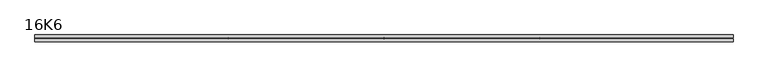
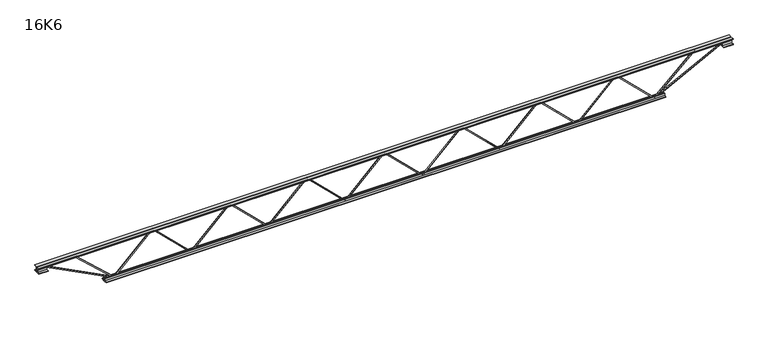
"""IFC4 building model written with IfcOpenShell, lengths in millimetres: beam geometry, 16K6."""

from ifc_helpers import new_model, si_unit, frame, origin, place, context, project, spatial, polyline, outline, extrude, source, transform, mapped, element, save


def beam_16k6_333ff8ea(model_context):
    return source(origin(), model_context, "Body", "SweptSolid", [
        extrude(outline(polyline([(-191.9, 1228.1904762), (-201.4, 1228.1904762), (-201.4, 1233.2994035), (191.9, 1636.2351178), (191.9, 1638.7172631), (-201.4, 2041.6529774), (-201.4, 2046.7619048), (-191.9, 2046.7619048), (-191.9, 2045.5208321), (201.4, 1642.5851178), (201.4, 1632.3672631), (-191.9, 1229.4315488), (-191.9, 1228.1904762)])), frame((0.0, -4.75, 0.0), z_axis=(0.0, 1.0, 0.0), x_axis=(0.0, 0.0, 1.0)), (0.0, 0.0, 1.0), 9.5),
        extrude(outline(polyline([(-191.9, 409.452381), (-201.4, 409.452381), (-201.4, 414.5613083), (191.9, 817.4970226), (191.9, 819.9791679), (-201.4, 1222.9148822), (-201.4, 1228.0238095), (-191.9, 1228.0238095), (-191.9, 1226.7827369), (201.4, 823.8470226), (201.4, 813.6291679), (-191.9, 410.6934536), (-191.9, 409.452381)])), frame((0.0, -4.75, 0.0), z_axis=(0.0, 1.0, 0.0), x_axis=(0.0, 0.0, 1.0)), (0.0, 0.0, 1.0), 9.5),
        extrude(outline(polyline([(-191.9, -409.2857143), (-201.4, -409.2857143), (-201.4, -404.1767869), (191.9, -1.2410727), (191.9, 1.2410727), (-201.4, 404.1767869), (-201.4, 409.2857143), (-191.9, 409.2857143), (-191.9, 408.0446416), (201.4, 5.1089273), (201.4, -5.1089273), (-191.9, -408.0446416), (-191.9, -409.2857143)])), frame((0.0, -4.75, 0.0), z_axis=(0.0, 1.0, 0.0), x_axis=(0.0, 0.0, 1.0)), (0.0, 0.0, 1.0), 9.5),
        extrude(outline(polyline([(-191.9, -1228.0238095), (-201.4, -1228.0238095), (-201.4, -1222.9148822), (191.9, -819.9791679), (191.9, -817.4970226), (-201.4, -414.5613083), (-201.4, -409.452381), (-191.9, -409.452381), (-191.9, -410.6934536), (201.4, -813.6291679), (201.4, -823.8470226), (-191.9, -1226.7827369), (-191.9, -1228.0238095)])), frame((0.0, -4.75, 0.0), z_axis=(0.0, 1.0, 0.0), x_axis=(0.0, 0.0, 1.0)), (0.0, 0.0, 1.0), 9.5),
        extrude(outline(polyline([(-191.9, -2046.7619048), (-201.4, -2046.7619048), (-201.4, -2041.6529774), (191.9, -1638.7172631), (191.9, -1636.2351178), (-201.4, -1233.2994035), (-201.4, -1228.1904762), (-191.9, -1228.1904762), (-191.9, -1229.4315488), (201.4, -1632.3672631), (201.4, -1642.5851178), (-191.9, -2045.5208321), (-191.9, -2046.7619048)])), frame((0.0, -4.75, 0.0), z_axis=(0.0, 1.0, 0.0), x_axis=(0.0, 0.0, 1.0)), (0.0, 0.0, 1.0), 9.5),
        extrude(outline(polyline([(-191.9, 2046.9285714), (-201.4, 2046.9285714), (-201.4, 2052.0374988), (191.9, 2454.9732131), (191.9, 2457.4553584), (-201.4, 2860.3910727), (-201.4, 2865.5), (-191.9, 2865.5), (-191.9, 2864.2589273), (201.4, 2461.3232131), (201.4, 2451.1053584), (-191.9, 2048.1696441), (-191.9, 2046.9285714)])), frame((0.0, -4.75, 0.0), z_axis=(0.0, 1.0, 0.0), x_axis=(0.0, 0.0, 1.0)), (0.0, 0.0, 1.0), 9.5),
        extrude(outline(polyline([(-191.9, -2865.5), (-201.4, -2865.5), (-201.4, -2860.3910727), (191.9, -2457.4553584), (191.9, -2454.9732131), (-201.4, -2052.0374988), (-201.4, -2046.9285714), (-191.9, -2046.9285714), (-191.9, -2048.1696441), (201.4, -2451.1053584), (201.4, -2461.3232131), (-191.9, -2864.2589273), (-191.9, -2865.5)])), frame((0.0, -4.75, 0.0), z_axis=(0.0, 1.0, 0.0), x_axis=(0.0, 0.0, 1.0)), (0.0, 0.0, 1.0), 9.5),
        extrude(outline(polyline([(4.75, 203.0), (36.75, 203.0), (36.75, 196.5), (11.25, 196.5), (11.25, 171.0), (4.75, 171.0), (4.75, 203.0)])), frame((-3677.5, 0.0, 0.0), z_axis=(1.0, 0.0, 0.0), x_axis=(0.0, 1.0, 0.0)), (0.0, 0.0, 1.0), 7355.0),
        extrude(outline(polyline([(-4.75, 203.0), (-4.75, 171.0), (-11.25, 171.0), (-11.25, 196.5), (-36.75, 196.5), (-36.75, 203.0), (-4.75, 203.0)])), frame((-3677.5, 0.0, 0.0), z_axis=(1.0, 0.0, 0.0), x_axis=(0.0, 1.0, 0.0)), (0.0, 0.0, 1.0), 7355.0),
        extrude(outline(polyline([(-4.75, 139.5), (-36.75, 139.5), (-36.75, 146.0), (-11.25, 146.0), (-11.25, 171.0), (-4.75, 171.0), (-4.75, 139.5)])), frame((-3677.5, 0.0, 0.0), z_axis=(1.0, 0.0, 0.0), x_axis=(0.0, 1.0, 0.0)), (0.0, 0.0, 1.0), 100.0),
        extrude(outline(polyline([(36.75, 139.5), (4.75, 139.5), (4.75, 171.0), (11.25, 171.0), (11.25, 146.0), (36.75, 146.0), (36.75, 139.5)])), frame((-3677.5, 0.0, 0.0), z_axis=(1.0, 0.0, 0.0), x_axis=(0.0, 1.0, 0.0)), (0.0, 0.0, 1.0), 100.0),
        extrude(outline(polyline([(4.75, 139.5), (4.75, 171.0), (11.25, 171.0), (11.25, 146.0), (36.75, 146.0), (36.75, 139.5), (4.75, 139.5)])), frame((3577.5, 0.0, 0.0), z_axis=(1.0, 0.0, 0.0), x_axis=(0.0, 1.0, 0.0)), (0.0, 0.0, 1.0), 100.0),
        extrude(outline(polyline([(-4.75, 139.5), (-36.75, 139.5), (-36.75, 146.0), (-11.25, 146.0), (-11.25, 171.0), (-4.75, 171.0), (-4.75, 139.5)])), frame((3577.5, 0.0, 0.0), z_axis=(1.0, 0.0, 0.0), x_axis=(0.0, 1.0, 0.0)), (0.0, 0.0, 1.0), 100.0),
        extrude(outline(polyline([(4.75, -203.0), (4.75, -171.0), (11.25, -171.0), (11.25, -196.5), (36.75, -196.5), (36.75, -203.0), (4.75, -203.0)])), frame((-2965.5, 0.0, 0.0), z_axis=(1.0, 0.0, 0.0), x_axis=(0.0, 1.0, 0.0)), (0.0, 0.0, 1.0), 5931.0),
        extrude(outline(polyline([(-4.75, -203.0), (-36.75, -203.0), (-36.75, -196.5), (-11.25, -196.5), (-11.25, -171.0), (-4.75, -171.0), (-4.75, -203.0)])), frame((-2965.5, 0.0, 0.0), z_axis=(1.0, 0.0, 0.0), x_axis=(0.0, 1.0, 0.0)), (0.0, 0.0, 1.0), 5931.0),
        extrude(outline(polyline([(-200.8705467, -2867.6793315), (-192.4294533, -2863.3206685), (175.75, -3576.3460208), (175.75, -3677.5), (166.25, -3677.5), (166.25, -3578.6539792), (-200.8705467, -2867.6793315)])), frame((0.0, -4.75, 0.0), z_axis=(0.0, 1.0, 0.0), x_axis=(0.0, 0.0, 1.0)), (0.0, 0.0, 1.0), 9.5),
        extrude(outline(polyline([(188.7, -3294.7428571), (179.2, -3294.7428571), (179.2, -3283.8861337), (-200.1566394, -2868.7040568), (-193.1433606, -2862.2959432), (188.7, -3280.1995806), (188.7, -3294.7428571)])), frame((0.0, -4.75, 0.0), z_axis=(0.0, 1.0, 0.0), x_axis=(0.0, 0.0, 1.0)), (0.0, 0.0, 1.0), 9.5),
        extrude(outline(polyline([(0.0, -9.5), (0.0, 0.0), (801.3179909, 0.0), (801.3179909, -9.5), (0.0, -9.5)])), frame((3579.6793315, -4.75, 166.7794533), z_axis=(-0.4588066213244971, 0.0, 0.8885361468329803), x_axis=(-0.8885361468329803, 0.0, -0.4588066213244971)), (0.0, 0.0, 1.0), 9.5),
        extrude(outline(polyline([(0.0, -9.5), (0.0, 0.0), (578.1793234, 0.0), (578.1793234, -9.5), (0.0, -9.5)])), frame((3292.5311342, -4.75, 193.1682947), z_axis=(-0.6802387842091328, 0.0, 0.7329905841534945), x_axis=(-0.7329905841534945, 0.0, -0.6802387842091328)), (0.0, 0.0, 1.0), 9.5),
    ])


if __name__ == "__main__":
    model = new_model("IFC4")
    model_context = context("Model", 3, world=origin())
    ifc_project = project(units=[si_unit("LENGTHUNIT", "METRE", prefix="MILLI")], contexts=[model_context])
    site = spatial("IfcSite", under=ifc_project)
    building = spatial("IfcBuilding", under=site)
    placement = place(None, origin())
    beam_16k6_shape = beam_16k6_333ff8ea(model_context)
    element("IfcBeam", 1, ObjectType="16K6", at=placement, inside=building, context=model_context, shape_type="MappedRepresentation", body=[
        mapped(beam_16k6_shape, transform((0.0, 0.0, 0.0), x_axis=(1.0, 0.0, 0.0), y_axis=(0.0, 1.0, 0.0), z_axis=(0.0, 0.0, 1.0))),
    ])
    save(model, "model.ifc")
